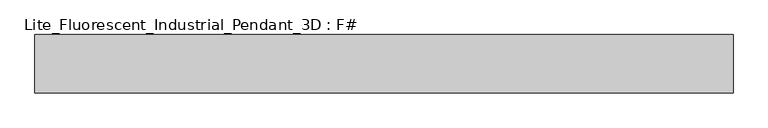
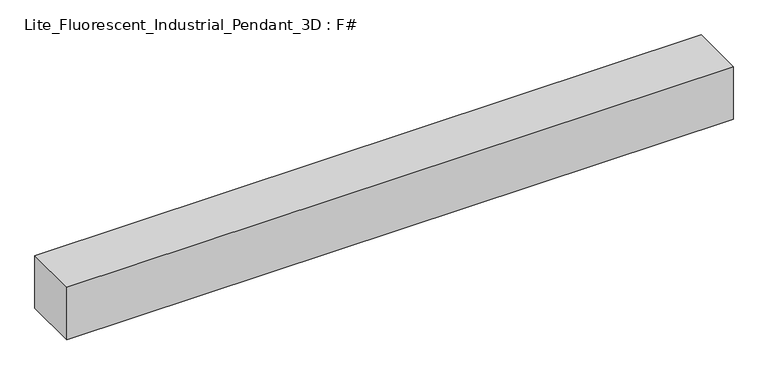
"""IFC4 building model written with IfcOpenShell, lengths in millimetres: light fixture geometry, Lite_Fluorescent_Industrial_Pendant_3D : F#."""

from ifc_helpers import new_model, si_unit, frame, origin, place, context, project, spatial, polyline, outline, extrude, source, transform, mapped, element, save


def lite_fluorescent_industrial_pendant_3d_f_ff1bf034(model_context):
    return source(origin(), model_context, "Body", "SweptSolid", [
        extrude(outline(polyline([(609.6, 50.8), (609.6, -50.8), (-609.6, -50.8), (-609.6, 50.8), (609.6, 50.8)])), frame((0.0, 0.0, 914.4), z_axis=(0.0, 0.0, 1.0), x_axis=(1.0, 0.0, 0.0)), (0.0, 0.0, 1.0), 101.6),
    ])


if __name__ == "__main__":
    model = new_model("IFC4")
    model_context = context("Model", 3, world=origin())
    ifc_project = project(units=[si_unit("LENGTHUNIT", "METRE", prefix="MILLI")], contexts=[model_context])
    site = spatial("IfcSite", under=ifc_project)
    building = spatial("IfcBuilding", under=site)
    placement = place(None, origin())
    lite_fluorescent_industrial_pendant_3d_f_shape = lite_fluorescent_industrial_pendant_3d_f_ff1bf034(model_context)
    element("IfcLightFixture", 1, ObjectType="Lite_Fluorescent_Industrial_Pendant_3D : F#", at=placement, inside=building, context=model_context, shape_type="MappedRepresentation", body=[
        mapped(lite_fluorescent_industrial_pendant_3d_f_shape, transform((0.0, 0.0, 0.0), x_axis=(1.0, 0.0, 0.0), y_axis=(0.0, 1.0, 0.0), z_axis=(0.0, 0.0, 1.0))),
    ])
    save(model, "model.ifc")
